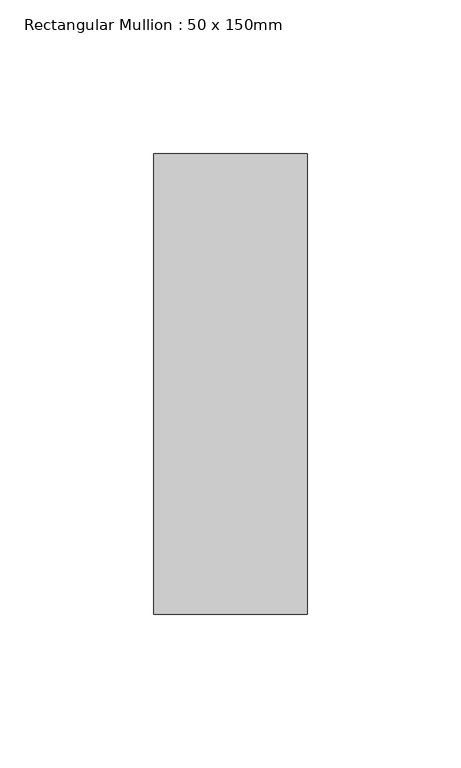
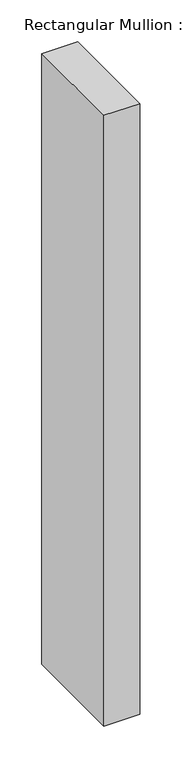
"""IFC4 building model written with IfcOpenShell, lengths in millimetres: member geometry, Rectangular Mullion : 50 x 150mm."""

from ifc_helpers import new_model, si_unit, frame, origin, place, context, project, spatial, polyline, outline, extrude, source, transform, mapped, element, save


def rectangular_mullion_50_x_150mm_8369c6a6(model_context):
    return source(origin(), model_context, "Body", "SweptSolid", [
        extrude(outline(polyline([(25.0, 75.0), (25.0, -75.0), (-25.0, -75.0), (-25.0, 75.0), (25.0, 75.0)])), frame((0.0, 0.0, -896.6666667), z_axis=(0.0, 0.0, 1.0), x_axis=(1.0, 0.0, 0.0)), (0.0, 0.0, 1.0), 896.6666667),
    ])


if __name__ == "__main__":
    model = new_model("IFC4")
    model_context = context("Model", 3, world=origin())
    ifc_project = project(units=[si_unit("LENGTHUNIT", "METRE", prefix="MILLI")], contexts=[model_context])
    site = spatial("IfcSite", under=ifc_project)
    building = spatial("IfcBuilding", under=site)
    placement = place(None, origin())
    rectangular_mullion_50_x_150mm_shape = rectangular_mullion_50_x_150mm_8369c6a6(model_context)
    element("IfcMember", 1, ObjectType="Rectangular Mullion : 50 x 150mm", at=placement, inside=building, context=model_context, shape_type="MappedRepresentation", body=[
        mapped(rectangular_mullion_50_x_150mm_shape, transform((0.0, 0.0, 0.0), x_axis=(1.0, 0.0, 0.0), y_axis=(0.0, 1.0, 0.0), z_axis=(0.0, 0.0, 1.0))),
    ])
    save(model, "model.ifc")
